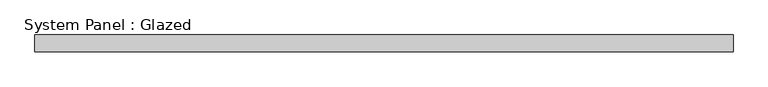
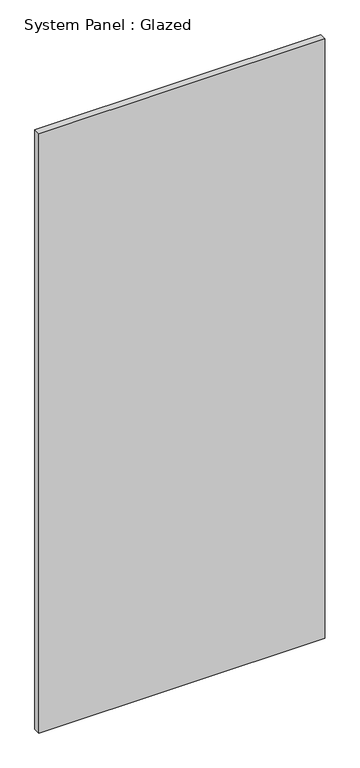
"""IFC4 building model written with IfcOpenShell, lengths in millimetres: plate geometry, System Panel : Glazed."""

from ifc_helpers import new_model, si_unit, origin, origin_with_axes, place, context, project, spatial, polyline, outline, extrude, source, transform, mapped, element, save


def system_panel_glazed_be712ce3(model_context):
    return source(origin(), model_context, "Body", "SweptSolid", [
        extrude(outline(polyline([(528.6375, -44.45), (-528.6375, -44.45), (-528.6375, -19.05), (528.6375, -19.05), (528.6375, -44.45)])), origin_with_axes(), (0.0, 0.0, 1.0), 2343.15),
    ])


if __name__ == "__main__":
    model = new_model("IFC4")
    model_context = context("Model", 3, world=origin())
    ifc_project = project(units=[si_unit("LENGTHUNIT", "METRE", prefix="MILLI")], contexts=[model_context])
    site = spatial("IfcSite", under=ifc_project)
    building = spatial("IfcBuilding", under=site)
    placement = place(None, origin())
    system_panel_glazed_shape = system_panel_glazed_be712ce3(model_context)
    element("IfcPlate", 1, ObjectType="System Panel : Glazed", at=placement, inside=building, context=model_context, shape_type="MappedRepresentation", body=[
        mapped(system_panel_glazed_shape, transform((0.0, 0.0, 0.0), x_axis=(1.0, 0.0, 0.0), y_axis=(0.0, 1.0, 0.0), z_axis=(0.0, 0.0, 1.0))),
    ])
    save(model, "model.ifc")
